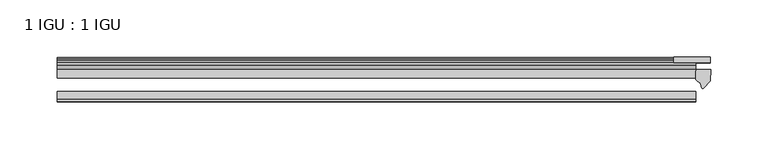
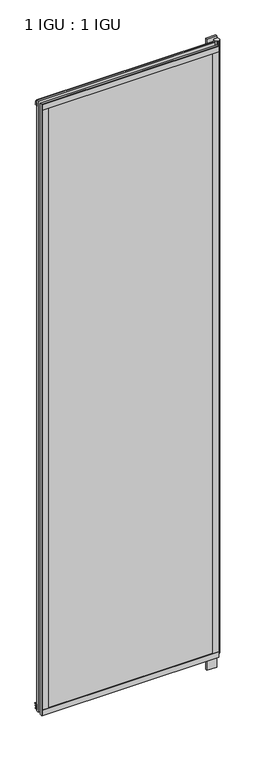
"""IFC4 building model written with IfcOpenShell, lengths in millimetres: plate geometry, 1 IGU : 1 IGU."""

from ifc_helpers import new_model, si_unit, point, frame, frame_2d, origin, place, context, project, spatial, polyline, circle_curve, trimmed, segment, composite_curve, outline, extrude, source, transform, mapped, element, save


def plate_1_igu_1_igu_417a9af5(model_context):
    return source(origin(), model_context, "Body", "SweptSolid", [
        extrude(outline(polyline([(278.9018563, -11.6085937), (278.9018563, -18.8576359), (-278.9018563, -18.8576359), (-278.9018563, -11.6085937), (278.9018563, -11.6085937)])), frame((0.0, 0.0, -19.05), z_axis=(0.0, 0.0, 1.0), x_axis=(1.0, 0.0, 0.0)), (0.0, 0.0, 1.0), 2038.3500001),
        extrude(outline(polyline([(-278.9018563, -30.7093937), (278.9018563, -30.7093937), (278.9018563, -37.0085937), (-278.9018563, -37.0085937), (-278.9018563, -30.7093937)])), frame((0.0, 0.0, -19.05), z_axis=(0.0, 0.0, 1.0), x_axis=(1.0, 0.0, 0.0)), (0.0, 0.0, 1.0), 2038.3500001),
        extrude(outline(polyline([(291.6018563, -0.4960937), (291.6018563, -5.3578125), (259.8518563, -5.3578125), (259.8518563, -0.4960937), (291.6018563, -0.4960937)])), frame((0.0, 0.0, -76.2), z_axis=(0.0, 0.0, 1.0), x_axis=(1.0, 0.0, 0.0)), (0.0, 0.0, 1.0), 76.2),
        extrude(outline(polyline([(259.8518563, -5.3578125), (259.8518563, -0.4960937), (291.6018563, -0.4960937), (291.6018563, -5.3578125), (259.8518563, -5.3578125)])), frame((0.0, 0.0, 2000.2500001), z_axis=(0.0, 0.0, 1.0), x_axis=(1.0, 0.0, 0.0)), (0.0, 0.0, 1.0), 28.575),
        extrude(outline(composite_curve([segment(polyline([(291.9797654, -11.6101465), (291.6018563, -21.3502133), (285.663803, -27.6095865)]), True, "CONTINUOUS"), segment(trimmed(circle_curve(frame_2d((284.9909969, -27.2518492)), 0.762), [point((285.663803, -27.6095865))], [point((284.2622927, -27.4746364))], False, "CARTESIAN"), True, "CONTINUOUS"), segment(polyline([(284.2622927, -27.4746364), (283.0004582, -23.3488397)]), True, "CONTINUOUS"), segment(trimmed(circle_curve(frame_2d((285.1824153, -16.3834724)), 7.2991286), [point((283.0004582, -23.3488397))], [point((278.9020349, -20.1028944))], False, "CARTESIAN"), True, "CONTINUOUS"), segment(polyline([(278.9020349, -20.1028944), (278.9020349, -12.664425)]), True, "CONTINUOUS"), segment(trimmed(circle_curve(frame_2d((285.1832894, -16.3827796)), 7.2993369), [point((278.9020349, -12.664425))], [point((279.6604013, -11.6101465))], False, "CARTESIAN"), True, "CONTINUOUS"), segment(polyline([(279.6604013, -11.6101465), (291.9797654, -11.6101465)]), True, "CONTINUOUS")], self_intersect=False)), frame((0.0, 0.0, -19.05), z_axis=(0.0, 0.0, 1.0), x_axis=(1.0, 0.0, 0.0)), (0.0, 0.0, 1.0), 2045.4874001),
        extrude(outline(polyline([(-11.6085937, -15.24), (-11.6085937, 2.8161565), (-0.5298609, 1.2591422), (-0.5298609, -0.6645794), (-5.258589, 0.0), (-5.258589, -4.826), (-1.575589, -4.826), (-1.575589, -7.874), (-5.258589, -7.874), (-5.258589, -13.208), (-3.099589, -13.208), (-3.099589, -15.24), (-11.6085937, -15.24)])), frame((-278.9018563, 0.0, 0.0), z_axis=(1.0, 0.0, 0.0), x_axis=(0.0, 1.0, 0.0)), (0.0, 0.0, 1.0), 557.8037125),
        extrude(outline(polyline([(-278.9018563, -39.2945937), (-278.9018563, -37.0085937), (278.9018563, -37.0085937), (278.9018563, -39.2945937), (-278.9018563, -39.2945937)])), frame((0.0, 0.0, -19.05), z_axis=(0.0, 0.0, 1.0), x_axis=(1.0, 0.0, 0.0)), (0.0, 0.0, 1.0), 19.05),
        extrude(outline(composite_curve([segment(trimmed(circle_curve(frame_2d((-6.5285937, 2011.721876)), 1.27), [point((-7.4547667, 2012.590843))], [point((-5.2585937, 2011.721876))], False, "CARTESIAN"), True, "CONTINUOUS"), segment(polyline([(-5.2585937, 2011.721876), (-5.2585937, 2008.5050001), (-3.3544944, 2005.8297863), (-5.2585937, 2005.484551), (-5.2585937, 2000.2500001), (-2.385052, 2000.2500001)]), True, "CONTINUOUS"), segment(trimmed(circle_curve(frame_2d((-3.2589487, 1999.7317718)), 1.016), [point((-2.385052, 2000.2500001))], [point((-3.236916, 1998.7160107))], False, "CARTESIAN"), True, "CONTINUOUS"), segment(trimmed(circle_curve(frame_2d((-2.5575611, 1967.3961025)), 31.3272753), [point((-3.236916, 1998.7160107))], [point((-11.6085937, 1997.3873843))], True, "CARTESIAN"), True, "CONTINUOUS"), segment(polyline([(-11.6085937, 1997.3873843), (-11.6085937, 2008.1635609), (-7.4547667, 2012.590843)]), True, "CONTINUOUS")], self_intersect=False)), frame((-278.9018563, 0.0, 0.0), z_axis=(1.0, 0.0, 0.0), x_axis=(0.0, 1.0, 0.0)), (0.0, 0.0, 1.0), 557.8037125),
        extrude(outline(polyline([(-278.9018563, -39.2945937), (-278.9018563, -37.0085937), (278.9018563, -37.0085937), (278.9018563, -39.2945937), (-278.9018563, -39.2945937)])), frame((0.0, 0.0, 2000.2500001), z_axis=(0.0, 0.0, 1.0), x_axis=(1.0, 0.0, 0.0)), (0.0, 0.0, 1.0), 19.05),
        extrude(outline(polyline([(259.8518563, -37.0085937), (278.9018563, -37.0085937), (278.9018563, -39.2945938), (259.8518563, -39.2945938), (259.8518563, -37.0085937)])), frame((0.0, 0.0, -19.05), z_axis=(0.0, 0.0, 1.0), x_axis=(1.0, 0.0, 0.0)), (0.0, 0.0, 1.0), 2038.3500001),
        extrude(outline(polyline([(-278.9018563, -39.2945937), (-278.9018563, -37.0085937), (-259.8518563, -37.0085937), (-259.8518563, -39.2945937), (-278.9018563, -39.2945937)])), frame((0.0, 0.0, -19.05), z_axis=(0.0, 0.0, 1.0), x_axis=(1.0, 0.0, 0.0)), (0.0, 0.0, 1.0), 2038.3500001),
    ])


if __name__ == "__main__":
    model = new_model("IFC4")
    model_context = context("Model", 3, world=origin())
    ifc_project = project(units=[si_unit("LENGTHUNIT", "METRE", prefix="MILLI")], contexts=[model_context])
    site = spatial("IfcSite", under=ifc_project)
    building = spatial("IfcBuilding", under=site)
    placement = place(None, origin())
    plate_1_igu_1_igu_shape = plate_1_igu_1_igu_417a9af5(model_context)
    element("IfcPlate", 1, ObjectType="1 IGU : 1 IGU", at=placement, inside=building, context=model_context, shape_type="MappedRepresentation", body=[
        mapped(plate_1_igu_1_igu_shape, transform((0.0, 0.0, 0.0), x_axis=(1.0, 0.0, 0.0), y_axis=(0.0, 1.0, 0.0), z_axis=(0.0, 0.0, 1.0))),
    ])
    save(model, "model.ifc")
